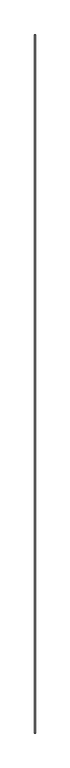
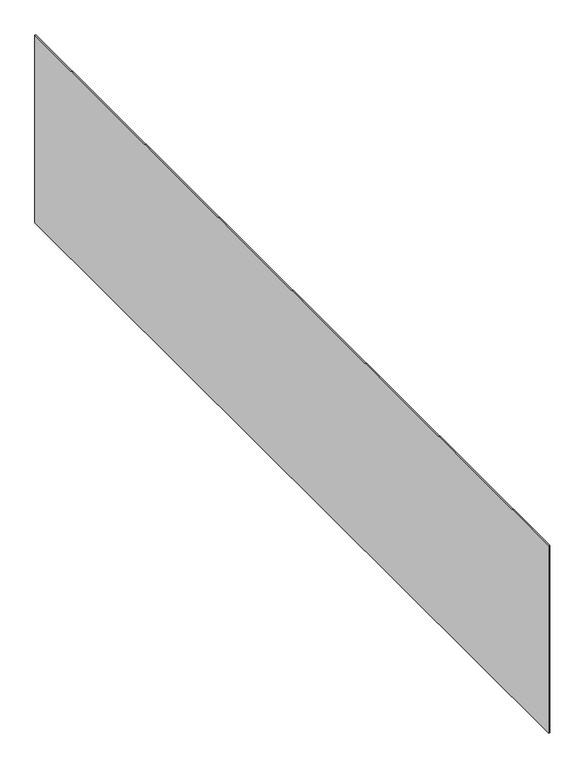
"""IFC4 building model written with IfcOpenShell, lengths in millimetres: proxy geometry."""

from ifc_helpers import new_model, si_unit, frame, origin, place, context, project, spatial, polyline, outline, extrude, source, transform, mapped, element, save


def generic_models_db59483c(model_context):
    return source(origin(), model_context, "Body", "SweptSolid", [
        extrude(outline(polyline([(37918.0085168, -18662.4264268), (37918.0085168, -25196.3529893), (37911.6585168, -25196.3529893), (37911.6585168, -18662.4264268), (37918.0085168, -18662.4264268)])), frame((0.0, 0.0, 4189.2214506), z_axis=(0.0, 0.0, 1.0), x_axis=(1.0, 0.0, 0.0)), (0.0, 0.0, 1.0), 1454.3410494),
    ])


if __name__ == "__main__":
    model = new_model("IFC4")
    model_context = context("Model", 3, world=origin())
    ifc_project = project(units=[si_unit("LENGTHUNIT", "METRE", prefix="MILLI")], contexts=[model_context])
    site = spatial("IfcSite", under=ifc_project)
    building = spatial("IfcBuilding", under=site)
    placement = place(None, origin())
    generic_models_shape = generic_models_db59483c(model_context)
    element("IfcBuildingElementProxy", 1, Name="Generic Models", at=placement, inside=building, context=model_context, shape_type="MappedRepresentation", body=[
        mapped(generic_models_shape, transform((0.0, 0.0, 0.0), x_axis=(1.0, 0.0, 0.0), y_axis=(0.0, 1.0, 0.0), z_axis=(0.0, 0.0, 1.0))),
    ])
    save(model, "model.ifc")
